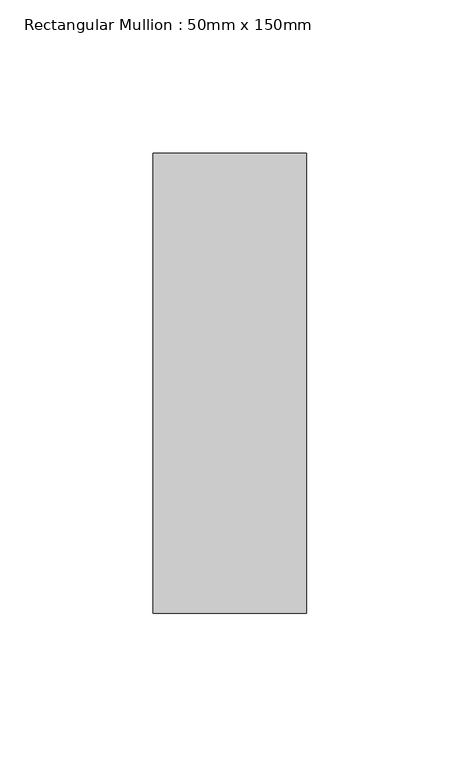
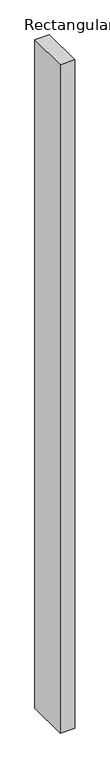
"""IFC4 building model written with IfcOpenShell, lengths in millimetres: member geometry, Rectangular Mullion : 50mm x 150mm."""

from ifc_helpers import new_model, si_unit, frame, origin, place, context, project, spatial, polyline, outline, extrude, source, transform, mapped, element, save


def rectangular_mullion_50mm_x_150mm_c59a77fc(model_context):
    return source(origin(), model_context, "Body", "SweptSolid", [
        extrude(outline(polyline([(25.0, 75.0), (25.0, -75.0), (-25.0, -75.0), (-25.0, 75.0), (25.0, 75.0)])), frame((0.0, 0.0, -2425.0), z_axis=(0.0, 0.0, 1.0), x_axis=(1.0, 0.0, 0.0)), (0.0, 0.0, 1.0), 2425.0),
    ])


if __name__ == "__main__":
    model = new_model("IFC4")
    model_context = context("Model", 3, world=origin())
    ifc_project = project(units=[si_unit("LENGTHUNIT", "METRE", prefix="MILLI")], contexts=[model_context])
    site = spatial("IfcSite", under=ifc_project)
    building = spatial("IfcBuilding", under=site)
    placement = place(None, origin())
    rectangular_mullion_50mm_x_150mm_shape = rectangular_mullion_50mm_x_150mm_c59a77fc(model_context)
    element("IfcMember", 1, ObjectType="Rectangular Mullion : 50mm x 150mm", at=placement, inside=building, context=model_context, shape_type="MappedRepresentation", body=[
        mapped(rectangular_mullion_50mm_x_150mm_shape, transform((0.0, 0.0, 0.0), x_axis=(1.0, 0.0, 0.0), y_axis=(0.0, 1.0, 0.0), z_axis=(0.0, 0.0, 1.0))),
    ])
    save(model, "model.ifc")
